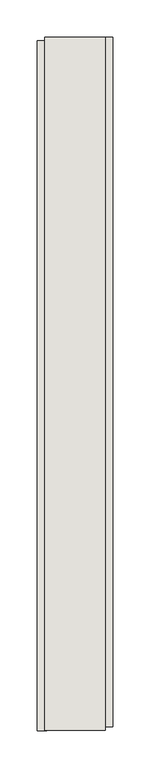
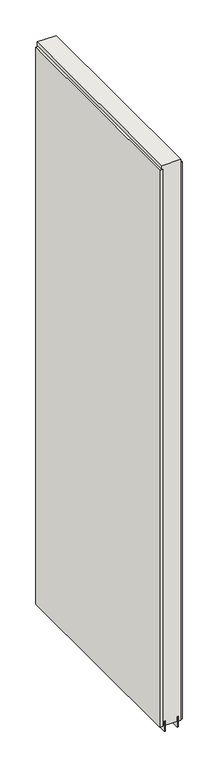
"""IFC4 building model written with IfcOpenShell, lengths in millimetres: wall geometry."""

from ifc_helpers import new_model, si_unit, frame, origin, place, context, project, spatial, polyline, outline, extrude, source, transform, mapped, element, save


def wall_69d4a5e1(model_context):
    return source(origin(), model_context, "Body", "SweptSolid", [
        extrude(outline(polyline([(64721.142211, -41479.2033508), (64721.142211, -41476.6633508), (64723.682211, -41476.6633508), (64723.682211, -41479.2033508), (64721.142211, -41479.2033508)])), frame((0.0, 0.0, 4419.6), z_axis=(0.0, 0.0, 1.0), x_axis=(1.0, 0.0, 0.0)), (0.0, 0.0, 1.0), 2.54),
        extrude(outline(polyline([(64773.212211, -41476.1977434), (64773.212211, -42404.6047258), (64760.512211, -42404.6047258), (64760.512211, -41476.1977434), (64773.212211, -41476.1977434)])), frame((0.0, 0.0, 4445.0), z_axis=(0.0, 0.0, 1.0), x_axis=(1.0, 0.0, 0.0)), (0.0, 0.0, 1.0), 2545.0498756),
        extrude(outline(polyline([(64671.612211, -42409.5346626), (64671.612211, -41481.1276802), (64684.312211, -41481.1276802), (64684.312211, -42409.5346626), (64671.612211, -42409.5346626)])), frame((0.0, 0.0, 4445.0), z_axis=(0.0, 0.0, 1.0), x_axis=(1.0, 0.0, 0.0)), (0.0, 0.0, 1.0), 2545.0498756),
        extrude(outline(polyline([(64747.4959556, -42409.0579046), (64747.4959556, -41476.649711), (64752.574711, -41476.649711), (64752.574711, -42409.0579046), (64747.4959556, -42409.0579046)])), frame((0.0, 0.0, 4418.6602), z_axis=(0.0, 0.0, 1.0), x_axis=(1.0, 0.0, 0.0)), (0.0, 0.0, 1.0), 47.625),
        extrude(outline(polyline([(64747.4959556, -42409.0579046), (64747.4959556, -41476.649711), (64752.574711, -41476.649711), (64752.574711, -42409.0579046), (64747.4959556, -42409.0579046)])), frame((0.0, 0.0, 4418.6602), z_axis=(0.0, 0.0, 1.0), x_axis=(1.0, 0.0, 0.0)), (0.0, 0.0, 1.0), 47.625),
        extrude(outline(polyline([(64697.3284664, -41476.649711), (64697.3284664, -42409.0579046), (64692.249711, -42409.0579046), (64692.249711, -41476.649711), (64697.3284664, -41476.649711)])), frame((0.0, 0.0, 4418.6602), z_axis=(0.0, 0.0, 1.0), x_axis=(1.0, 0.0, 0.0)), (0.0, 0.0, 1.0), 47.625),
        extrude(outline(polyline([(64697.3284664, -41476.649711), (64697.3284664, -42409.0579046), (64692.249711, -42409.0579046), (64692.249711, -41476.649711), (64697.3284664, -41476.649711)])), frame((0.0, 0.0, 4418.6602), z_axis=(0.0, 0.0, 1.0), x_axis=(1.0, 0.0, 0.0)), (0.0, 0.0, 1.0), 47.625),
        extrude(outline(polyline([(64763.0670954, -42409.0579046), (64681.7573266, -42409.0579046), (64681.7573266, -41476.649711), (64763.0670954, -41476.649711), (64763.0670954, -42409.0579046)])), frame((0.0, 0.0, 4445.0), z_axis=(0.0, 0.0, 1.0), x_axis=(1.0, 0.0, 0.0)), (0.0, 0.0, 1.0), 2562.4536762),
    ])


if __name__ == "__main__":
    model = new_model("IFC4")
    model_context = context("Model", 3, world=origin())
    ifc_project = project(units=[si_unit("LENGTHUNIT", "METRE", prefix="MILLI")], contexts=[model_context])
    site = spatial("IfcSite", under=ifc_project)
    building = spatial("IfcBuilding", under=site)
    placement = place(None, origin())
    wall_shape = wall_69d4a5e1(model_context)
    element("IfcWall", 1, at=placement, inside=building, context=model_context, shape_type="MappedRepresentation", body=[
        mapped(wall_shape, transform((0.0, 0.0, 0.0), x_axis=(1.0, 0.0, 0.0), y_axis=(0.0, 1.0, 0.0), z_axis=(0.0, 0.0, 1.0))),
    ])
    save(model, "model.ifc")
